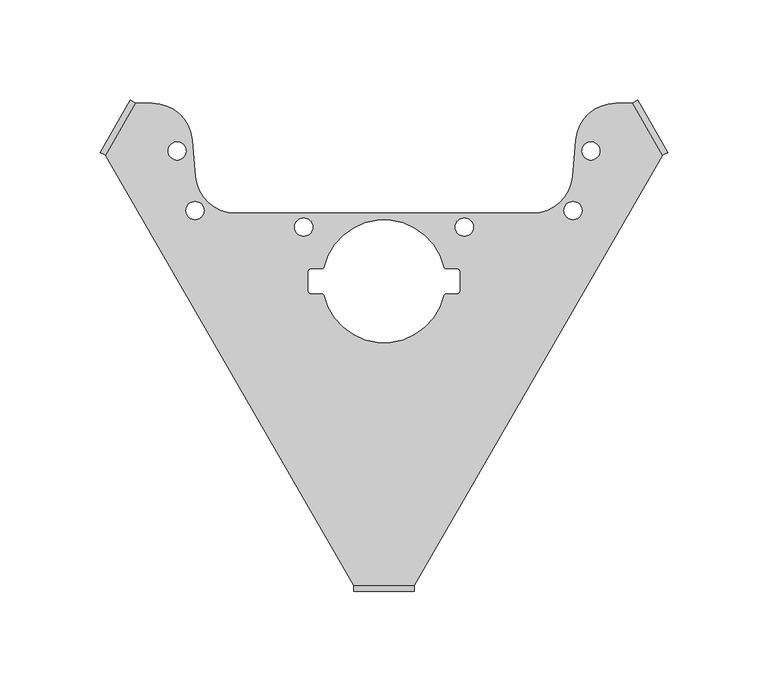
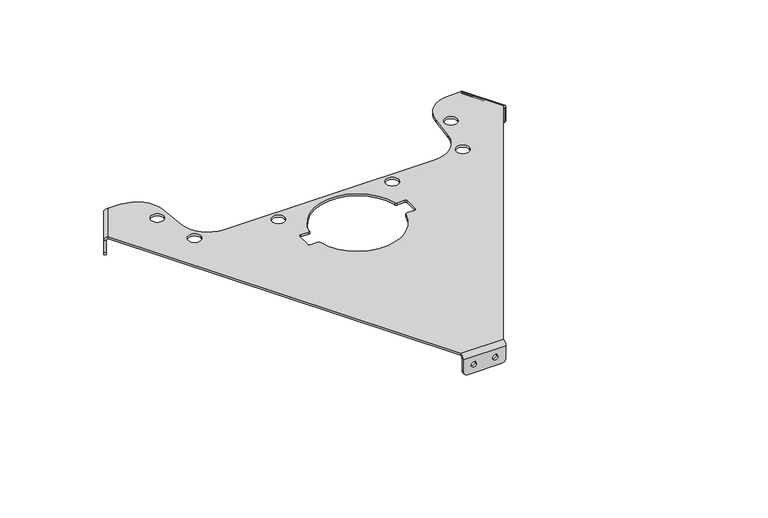
"""IFC4 building model written with IfcOpenShell, lengths in millimetres: proxy geometry."""

from ifc_helpers import new_model, si_unit, frame, origin, place, context, project, spatial, polyline, circle_curve, source, transform, mapped, element, save
from ifc_brep_helpers import plane_surface, cylinder_surface, revolved_surface, advanced_brep


def generic_models_a95698b2(model_context):
    return source(origin(), model_context, "Body", "AdvancedBrep", [
        advanced_brep(
        [(-5.7, -153.0, -7.5), (-5.7, -154.5, -7.5), (-9.3, -154.5, -7.5), (-9.3, -153.0, -7.5), (9.3, -153.0, -7.5), (9.3, -154.5, -7.5), (5.7, -154.5, -7.5), (5.7, -153.0, -7.5), (135.3518868, 71.5636552, -7.5), (136.6509249, 72.3136552, -7.5), (138.4509249, 69.1959637, -7.5), (137.1518868, 68.4459637, -7.5), (127.8518868, 84.5540363, -7.5), (129.1509249, 85.3040363, -7.5), (130.9509249, 82.1863448, -7.5), (129.6518868, 81.4363448, -7.5), (-129.6518868, 81.4363448, -7.5), (-130.9509249, 82.1863448, -7.5), (-129.1509249, 85.3040363, -7.5), (-127.8518868, 84.5540363, -7.5), (-137.1518868, 68.4459637, -7.5), (-138.4509249, 69.1959637, -7.5), (-136.6509249, 72.3136552, -7.5), (-135.3518868, 71.5636552, -7.5), (-98.6705, 35.271, 1.5), (-98.6705, 35.271, 0.0), (-89.6705, 35.271, 0.0), (-89.6705, 35.271, 1.5), (-107.587, 65.0, 1.5), (-107.587, 65.0, 0.0), (-98.587, 65.0, 0.0), (-98.587, 65.0, 1.5), (35.5, 27.0, 1.5), (35.5, 27.0, 0.0), (44.5, 27.0, 0.0), (44.5, 27.0, 1.5), (98.587, 65.0, 1.5), (98.587, 65.0, 0.0), (107.587, 65.0, 0.0), (107.587, 65.0, 1.5), (-44.5, 27.0, 1.5), (-44.5, 27.0, 0.0), (-35.5, 27.0, 0.0), (-35.5, 27.0, 1.5), (89.6705, 35.271, 1.5), (89.6705, 35.271, 0.0), (98.6705, 35.271, 0.0), (98.6705, 35.271, 1.5), (-95.5185158, 70.4834959, 0.0), (-115.4424097, 88.7403811, 0.0), (-115.4424097, 88.7403811, 1.5), (-95.5185158, 70.4834959, 1.5), (-123.7028487, 88.7403811, 0.0), (-123.7028487, 88.7403811, 1.5), (-93.923894, 52.2568851, 0.0), (-74.0, 34.0, 0.0), (74.0, 34.0, 0.0), (93.923894, 52.2568851, 0.0), (95.5185158, 70.4834959, 0.0), (115.4424097, 88.7403811, 0.0), (123.7028487, 88.7403811, 0.0), (138.7028487, 62.7596189, 0.0), (15.0, -151.5, 0.0), (-15.0, -151.5, 0.0), (-138.7028487, 62.7596189, 0.0), (-29.865372, 6.7786561, 0.0), (-30.8405678, 6.0, 0.0), (-36.625, 6.0, 0.0), (-37.625, 5.0, 0.0), (-37.625, -5.0, 0.0), (-36.625, -6.0, 0.0), (-30.8405678, -6.0, 0.0), (-29.865372, -6.7786561, 0.0), (29.865372, -6.7786561, 0.0), (30.8405678, -6.0, 0.0), (36.625, -6.0, 0.0), (37.625, -5.0, 0.0), (37.625, 5.0, 0.0), (36.625, 6.0, 0.0), (30.8405678, 6.0, 0.0), (29.865372, 6.7786561, 0.0), (95.5185158, 70.4834959, 1.5), (115.4424097, 88.7403811, 1.5), (123.7028487, 88.7403811, 1.5), (-93.923894, 52.2568851, 1.5), (-74.0, 34.0, 1.5), (74.0, 34.0, 1.5), (93.923894, 52.2568851, 1.5), (-138.7028487, 62.7596189, 1.5), (-15.0, -151.5, 1.5), (15.0, -151.5, 1.5), (138.7028487, 62.7596189, 1.5), (-30.8405678, 6.0, 1.5), (-29.865372, 6.7786561, 1.5), (29.865372, 6.7786561, 1.5), (30.8405678, 6.0, 1.5), (36.625, 6.0, 1.5), (37.625, 5.0, 1.5), (37.625, -5.0, 1.5), (36.625, -6.0, 1.5), (30.8405678, -6.0, 1.5), (29.865372, -6.7786561, 1.5), (-29.865372, -6.7786561, 1.5), (-30.8405678, -6.0, 1.5), (-36.625, -6.0, 1.5), (-37.625, -5.0, 1.5), (-37.625, 5.0, 1.5), (-36.625, 6.0, 1.5), (-141.3009249, 64.2596189, -10.5), (-139.8009249, 66.8576952, -13.5), (-138.5018868, 66.1076952, -13.5), (-140.0018868, 63.5096189, -10.5), (-140.0018868, 63.5096189, -1.5), (-141.3009249, 64.2596189, -1.5), (-126.5018868, 86.8923048, -13.5), (-125.0018868, 89.4903811, -10.5), (-125.0018868, 89.4903811, -1.5), (-127.8009249, 87.6423048, -13.5), (-126.3009249, 90.2403811, -10.5), (-126.3009249, 90.2403811, -1.5), (126.3009249, 90.2403811, -10.5), (127.8009249, 87.6423048, -13.5), (126.5018868, 86.8923048, -13.5), (125.0018868, 89.4903811, -10.5), (125.0018868, 89.4903811, -1.5), (126.3009249, 90.2403811, -1.5), (138.5018868, 66.1076952, -13.5), (140.0018868, 63.5096189, -10.5), (140.0018868, 63.5096189, -1.5), (139.8009249, 66.8576952, -13.5), (141.3009249, 64.2596189, -10.5), (141.3009249, 64.2596189, -1.5), (15.0, -154.5, -10.5), (12.0, -154.5, -13.5), (12.0, -153.0, -13.5), (15.0, -153.0, -10.5), (15.0, -153.0, -1.5), (15.0, -154.5, -1.5), (-12.0, -153.0, -13.5), (-15.0, -153.0, -10.5), (-15.0, -153.0, -1.5), (-12.0, -154.5, -13.5), (-15.0, -154.5, -10.5), (-15.0, -154.5, -1.5)],
        [
            (0, 1),
            (1, 2, circle_curve(frame((-7.5, -154.5, -7.5), z_axis=(0.0, -1.0, 0.0), x_axis=(1.0, 0.0, 0.0)), 1.8)),
            (2, 3),
            (3, 0, circle_curve(frame((-7.5, -153.0, -7.5), z_axis=(0.0, 1.0, 0.0), x_axis=(1.0, 0.0, 0.0)), 1.8)),
            (4, 5),
            (5, 6, circle_curve(frame((7.5, -154.5, -7.5), z_axis=(0.0, -1.0, 0.0), x_axis=(1.0, 0.0, 0.0)), 1.8)),
            (6, 7),
            (7, 4, circle_curve(frame((7.5, -153.0, -7.5), z_axis=(0.0, 1.0, 0.0), x_axis=(1.0, 0.0, 0.0)), 1.8)),
            (8, 9),
            (9, 10, circle_curve(frame((137.5509249, 70.7548095, -7.5), z_axis=(0.8660254037844388, 0.4999999999999998, 0.0), x_axis=(-0.4999999999999998, 0.8660254037844388, 0.0)), 1.8)),
            (10, 11),
            (11, 8, circle_curve(frame((136.2518868, 70.0048095, -7.5), z_axis=(-0.8660254037844388, -0.4999999999999998, 0.0), x_axis=(-0.4999999999999998, 0.8660254037844388, 0.0)), 1.8)),
            (12, 13),
            (13, 14, circle_curve(frame((130.0509249, 83.7451905, -7.5), z_axis=(0.8660254037844388, 0.4999999999999998, 0.0), x_axis=(-0.4999999999999998, 0.8660254037844388, 0.0)), 1.8)),
            (14, 15),
            (15, 12, circle_curve(frame((128.7518868, 82.9951905, -7.5), z_axis=(-0.8660254037844388, -0.4999999999999998, 0.0), x_axis=(-0.4999999999999998, 0.8660254037844388, 0.0)), 1.8)),
            (16, 17),
            (17, 18, circle_curve(frame((-130.0509249, 83.7451905, -7.5), z_axis=(-0.8660254037844386, 0.5000000000000003, 0.0), x_axis=(-0.5000000000000003, -0.8660254037844386, 0.0)), 1.8)),
            (18, 19),
            (19, 16, circle_curve(frame((-128.7518868, 82.9951905, -7.5), z_axis=(0.8660254037844386, -0.5000000000000003, 0.0), x_axis=(-0.5000000000000003, -0.8660254037844386, 0.0)), 1.8)),
            (20, 21),
            (21, 22, circle_curve(frame((-137.5509249, 70.7548095, -7.5), z_axis=(-0.8660254037844386, 0.5000000000000003, 0.0), x_axis=(-0.5000000000000003, -0.8660254037844386, 0.0)), 1.8)),
            (22, 23),
            (23, 20, circle_curve(frame((-136.2518868, 70.0048095, -7.5), z_axis=(0.8660254037844386, -0.5000000000000003, 0.0), x_axis=(-0.5000000000000003, -0.8660254037844386, 0.0)), 1.8)),
            (24, 25),
            (25, 26, circle_curve(frame((-94.1705, 35.271, 0.0), z_axis=(0.0, 0.0, -1.0), x_axis=(-1.0, 0.0, 0.0)), 4.5)),
            (26, 27),
            (27, 24, circle_curve(frame((-94.1705, 35.271, 1.5), z_axis=(0.0, 0.0, 1.0), x_axis=(-1.0, 0.0, 0.0)), 4.5)),
            (28, 29),
            (29, 30, circle_curve(frame((-103.087, 65.0, 0.0), z_axis=(0.0, 0.0, -1.0), x_axis=(-1.0, 0.0, 0.0)), 4.5)),
            (30, 31),
            (31, 28, circle_curve(frame((-103.087, 65.0, 1.5), z_axis=(0.0, 0.0, 1.0), x_axis=(-1.0, 0.0, 0.0)), 4.5)),
            (32, 33),
            (33, 34, circle_curve(frame((40.0, 27.0, 0.0), z_axis=(0.0, 0.0, -1.0), x_axis=(-1.0, 0.0, 0.0)), 4.5)),
            (34, 35),
            (35, 32, circle_curve(frame((40.0, 27.0, 1.5), z_axis=(0.0, 0.0, 1.0), x_axis=(-1.0, 0.0, 0.0)), 4.5)),
            (36, 37),
            (37, 38, circle_curve(frame((103.087, 65.0, 0.0), z_axis=(0.0, 0.0, -1.0), x_axis=(-1.0, 0.0, 0.0)), 4.5)),
            (38, 39),
            (39, 36, circle_curve(frame((103.087, 65.0, 1.5), z_axis=(0.0, 0.0, 1.0), x_axis=(-1.0, 0.0, 0.0)), 4.5)),
            (40, 41),
            (41, 42, circle_curve(frame((-40.0, 27.0, 0.0), z_axis=(0.0, 0.0, -1.0), x_axis=(-1.0, 0.0, 0.0)), 4.5)),
            (42, 43),
            (43, 40, circle_curve(frame((-40.0, 27.0, 1.5), z_axis=(0.0, 0.0, 1.0), x_axis=(-1.0, 0.0, 0.0)), 4.5)),
            (44, 45),
            (45, 46, circle_curve(frame((94.1705, 35.271, 0.0), z_axis=(0.0, 0.0, -1.0), x_axis=(-1.0, 0.0, 0.0)), 4.5)),
            (46, 47),
            (47, 44, circle_curve(frame((94.1705, 35.271, 1.5), z_axis=(0.0, 0.0, 1.0), x_axis=(-1.0, 0.0, 0.0)), 4.5)),
            (44, 47, circle_curve(frame((94.1705, 35.271, 1.5), z_axis=(0.0, 0.0, 1.0), x_axis=(-1.0, 0.0, 0.0)), 4.5)),
            (46, 45, circle_curve(frame((94.1705, 35.271, 0.0), z_axis=(0.0, 0.0, -1.0), x_axis=(-1.0, 0.0, 0.0)), 4.5)),
            (40, 43, circle_curve(frame((-40.0, 27.0, 1.5), z_axis=(0.0, 0.0, 1.0), x_axis=(-1.0, 0.0, 0.0)), 4.5)),
            (42, 41, circle_curve(frame((-40.0, 27.0, 0.0), z_axis=(0.0, 0.0, -1.0), x_axis=(-1.0, 0.0, 0.0)), 4.5)),
            (36, 39, circle_curve(frame((103.087, 65.0, 1.5), z_axis=(0.0, 0.0, 1.0), x_axis=(-1.0, 0.0, 0.0)), 4.5)),
            (38, 37, circle_curve(frame((103.087, 65.0, 0.0), z_axis=(0.0, 0.0, -1.0), x_axis=(-1.0, 0.0, 0.0)), 4.5)),
            (32, 35, circle_curve(frame((40.0, 27.0, 1.5), z_axis=(0.0, 0.0, 1.0), x_axis=(-1.0, 0.0, 0.0)), 4.5)),
            (34, 33, circle_curve(frame((40.0, 27.0, 0.0), z_axis=(0.0, 0.0, -1.0), x_axis=(-1.0, 0.0, 0.0)), 4.5)),
            (28, 31, circle_curve(frame((-103.087, 65.0, 1.5), z_axis=(0.0, 0.0, 1.0), x_axis=(-1.0, 0.0, 0.0)), 4.5)),
            (30, 29, circle_curve(frame((-103.087, 65.0, 0.0), z_axis=(0.0, 0.0, -1.0), x_axis=(-1.0, 0.0, 0.0)), 4.5)),
            (24, 27, circle_curve(frame((-94.1705, 35.271, 1.5), z_axis=(0.0, 0.0, 1.0), x_axis=(-1.0, 0.0, 0.0)), 4.5)),
            (26, 25, circle_curve(frame((-94.1705, 35.271, 0.0), z_axis=(0.0, 0.0, -1.0), x_axis=(-1.0, 0.0, 0.0)), 4.5)),
            (48, 49, circle_curve(frame((-115.4424097, 68.7403811, 0.0), z_axis=(0.0, 0.0, 1.0), x_axis=(0.6755902076156596, 0.7372773368101246, 0.0)), 20.0)),
            (49, 50),
            (50, 51, circle_curve(frame((-115.4424097, 68.7403811, 1.5), z_axis=(0.0, 0.0, -1.0), x_axis=(0.6755902076156596, 0.7372773368101246, 0.0)), 20.0)),
            (51, 48),
            (49, 52),
            (52, 53),
            (53, 50),
            (48, 54),
            (54, 55, circle_curve(frame((-74.0, 54.0, 0.0), z_axis=(0.0, 0.0, 1.0), x_axis=(-0.9961946980917457, -0.08715574274765665, 0.0)), 20.0)),
            (55, 56),
            (56, 57, circle_curve(frame((74.0, 54.0, 0.0), z_axis=(0.0, 0.0, 1.0), x_axis=(0.0, -1.0, 0.0)), 20.0)),
            (57, 58),
            (58, 59, circle_curve(frame((115.4424097, 68.7403811, 0.0), z_axis=(0.0, 0.0, -1.0), x_axis=(-0.6755902076156611, 0.7372773368101233, 0.0)), 20.0)),
            (59, 60),
            (60, 61),
            (61, 62),
            (62, 63),
            (63, 64),
            (64, 52),
            (65, 66, circle_curve(frame((-30.8405678, 7.0, 0.0), z_axis=(0.0, 0.0, -1.0), x_axis=(0.6239615879532211, -0.7814550126263793, 0.0)), 1.0)),
            (66, 67),
            (67, 68, circle_curve(frame((-36.625, 5.0, 0.0), z_axis=(0.0, 0.0, 1.0), x_axis=(0.0, 1.0, 0.0)), 1.0)),
            (68, 69),
            (69, 70, circle_curve(frame((-36.625, -5.0, 0.0), z_axis=(0.0, 0.0, 1.0), x_axis=(-1.0, 0.0, 0.0)), 1.0)),
            (70, 71),
            (71, 72, circle_curve(frame((-30.8405678, -7.0, 0.0), z_axis=(0.0, 0.0, -1.0), x_axis=(0.6239615879532177, 0.7814550126263821, 0.0)), 1.0)),
            (72, 73, circle_curve(frame((0.0, 0.0, 0.0), z_axis=(0.0, 0.0, 1.0), x_axis=(-1.0, 0.0, 0.0)), 30.625)),
            (73, 74, circle_curve(frame((30.8405678, -7.0, 0.0), z_axis=(0.0, 0.0, -1.0), x_axis=(-0.6239615879532198, 0.7814550126263805, 0.0)), 1.0)),
            (74, 75),
            (75, 76, circle_curve(frame((36.625, -5.0, 0.0), z_axis=(0.0, 0.0, 1.0), x_axis=(0.0, -1.0, 0.0)), 1.0)),
            (76, 77),
            (77, 78, circle_curve(frame((36.625, 5.0, 0.0), z_axis=(0.0, 0.0, 1.0), x_axis=(1.0, 0.0, 0.0)), 1.0)),
            (78, 79),
            (79, 80, circle_curve(frame((30.8405678, 7.0, 0.0), z_axis=(0.0, 0.0, -1.0), x_axis=(-0.6239615879532198, -0.7814550126263805, 0.0)), 1.0)),
            (80, 65, circle_curve(frame((0.0, 0.0, 0.0), z_axis=(0.0, 0.0, 1.0), x_axis=(-1.0, 0.0, 0.0)), 30.625)),
            (81, 82, circle_curve(frame((115.4424097, 68.7403811, 1.5), z_axis=(0.0, 0.0, -1.0), x_axis=(-0.6755902076156611, 0.7372773368101233, 0.0)), 20.0)),
            (82, 59),
            (58, 81),
            (82, 83),
            (83, 60),
            (84, 85, circle_curve(frame((-74.0, 54.0, 1.5), z_axis=(0.0, 0.0, 1.0), x_axis=(-0.9961946980917457, -0.08715574274765665, 0.0)), 20.0)),
            (85, 55),
            (54, 84),
            (85, 86),
            (86, 56),
            (86, 87, circle_curve(frame((74.0, 54.0, 1.5), z_axis=(0.0, 0.0, 1.0), x_axis=(0.0, -1.0, 0.0)), 20.0)),
            (87, 57),
            (87, 81),
            (51, 84),
            (53, 88),
            (88, 89),
            (89, 90),
            (90, 91),
            (91, 83),
            (92, 93, circle_curve(frame((-30.8405678, 7.0, 1.5), z_axis=(0.0, 0.0, 1.0), x_axis=(0.6239615879532211, -0.7814550126263793, 0.0)), 1.0)),
            (93, 94, circle_curve(frame((0.0, 0.0, 1.5), z_axis=(0.0, 0.0, -1.0), x_axis=(-1.0, 0.0, 0.0)), 30.625)),
            (94, 95, circle_curve(frame((30.8405678, 7.0, 1.5), z_axis=(0.0, 0.0, 1.0), x_axis=(-0.6239615879532198, -0.7814550126263805, 0.0)), 1.0)),
            (95, 96),
            (96, 97, circle_curve(frame((36.625, 5.0, 1.5), z_axis=(0.0, 0.0, -1.0), x_axis=(1.0, 0.0, 0.0)), 1.0)),
            (97, 98),
            (98, 99, circle_curve(frame((36.625, -5.0, 1.5), z_axis=(0.0, 0.0, -1.0), x_axis=(0.0, -1.0, 0.0)), 1.0)),
            (99, 100),
            (100, 101, circle_curve(frame((30.8405678, -7.0, 1.5), z_axis=(0.0, 0.0, 1.0), x_axis=(-0.6239615879532198, 0.7814550126263805, 0.0)), 1.0)),
            (101, 102, circle_curve(frame((0.0, 0.0, 1.5), z_axis=(0.0, 0.0, -1.0), x_axis=(-1.0, 0.0, 0.0)), 30.625)),
            (102, 103, circle_curve(frame((-30.8405678, -7.0, 1.5), z_axis=(0.0, 0.0, 1.0), x_axis=(0.6239615879532177, 0.7814550126263821, 0.0)), 1.0)),
            (103, 104),
            (104, 105, circle_curve(frame((-36.625, -5.0, 1.5), z_axis=(0.0, 0.0, -1.0), x_axis=(-1.0, 0.0, 0.0)), 1.0)),
            (105, 106),
            (106, 107, circle_curve(frame((-36.625, 5.0, 1.5), z_axis=(0.0, 0.0, -1.0), x_axis=(0.0, 1.0, 0.0)), 1.0)),
            (107, 92),
            (65, 93),
            (92, 66),
            (80, 94),
            (102, 72),
            (71, 103),
            (70, 104),
            (79, 95),
            (78, 96),
            (73, 101),
            (100, 74),
            (106, 68),
            (67, 107),
            (105, 69),
            (98, 76),
            (75, 99),
            (97, 77),
            (61, 91),
            (90, 62),
            (63, 89),
            (88, 64),
            (20, 23, circle_curve(frame((-136.2518868, 70.0048095, -7.5), z_axis=(0.8660254037844386, -0.5000000000000003, 0.0), x_axis=(-0.5000000000000003, -0.8660254037844386, 0.0)), 1.8)),
            (22, 21, circle_curve(frame((-137.5509249, 70.7548095, -7.5), z_axis=(-0.8660254037844386, 0.5000000000000003, 0.0), x_axis=(-0.5000000000000003, -0.8660254037844386, 0.0)), 1.8)),
            (16, 19, circle_curve(frame((-128.7518868, 82.9951905, -7.5), z_axis=(0.8660254037844386, -0.5000000000000003, 0.0), x_axis=(-0.5000000000000003, -0.8660254037844386, 0.0)), 1.8)),
            (18, 17, circle_curve(frame((-130.0509249, 83.7451905, -7.5), z_axis=(-0.8660254037844386, 0.5000000000000003, 0.0), x_axis=(-0.5000000000000003, -0.8660254037844386, 0.0)), 1.8)),
            (12, 15, circle_curve(frame((128.7518868, 82.9951905, -7.5), z_axis=(-0.8660254037844388, -0.4999999999999998, 0.0), x_axis=(-0.4999999999999998, 0.8660254037844388, 0.0)), 1.8)),
            (14, 13, circle_curve(frame((130.0509249, 83.7451905, -7.5), z_axis=(0.8660254037844388, 0.4999999999999998, 0.0), x_axis=(-0.4999999999999998, 0.8660254037844388, 0.0)), 1.8)),
            (8, 11, circle_curve(frame((136.2518868, 70.0048095, -7.5), z_axis=(-0.8660254037844388, -0.4999999999999998, 0.0), x_axis=(-0.4999999999999998, 0.8660254037844388, 0.0)), 1.8)),
            (10, 9, circle_curve(frame((137.5509249, 70.7548095, -7.5), z_axis=(0.8660254037844388, 0.4999999999999998, 0.0), x_axis=(-0.4999999999999998, 0.8660254037844388, 0.0)), 1.8)),
            (108, 109, circle_curve(frame((-139.8009249, 66.8576952, -10.5), z_axis=(0.8660254037844378, -0.5000000000000016, 0.0), x_axis=(-0.35355339059327867, -0.612372435695791, -0.707106781186548)), 3.0)),
            (109, 110),
            (110, 111, circle_curve(frame((-138.5018868, 66.1076952, -10.5), z_axis=(-0.8660254037844378, 0.5000000000000016, 0.0), x_axis=(-0.35355339059327867, -0.612372435695791, -0.707106781186548)), 3.0)),
            (111, 108),
            (111, 112),
            (112, 113),
            (113, 108),
            (110, 114),
            (114, 115, circle_curve(frame((-126.5018868, 86.8923048, -10.5), z_axis=(0.8660254037844377, -0.5000000000000018, 0.0), x_axis=(0.3535533905932714, 0.6123724356957928, -0.7071067811865501)), 3.0)),
            (115, 116),
            (116, 112),
            (117, 118, circle_curve(frame((-127.8009249, 87.6423048, -10.5), z_axis=(0.8660254037844377, -0.5000000000000018, 0.0), x_axis=(0.3535533905932714, 0.6123724356957928, -0.7071067811865501)), 3.0)),
            (118, 115),
            (114, 117),
            (118, 119),
            (119, 116),
            (120, 121, circle_curve(frame((127.8009249, 87.6423048, -10.5), z_axis=(-0.8660254037844378, -0.5000000000000014, 0.0), x_axis=(-0.3535533905932714, 0.6123724356957928, -0.7071067811865501)), 3.0)),
            (121, 122),
            (122, 123, circle_curve(frame((126.5018868, 86.8923048, -10.5), z_axis=(0.8660254037844378, 0.5000000000000014, 0.0), x_axis=(-0.3535533905932714, 0.6123724356957928, -0.7071067811865501)), 3.0)),
            (123, 120),
            (123, 124),
            (124, 125),
            (125, 120),
            (122, 126),
            (126, 127, circle_curve(frame((138.5018868, 66.1076952, -10.5), z_axis=(-0.866025403784438, -0.5000000000000013, 0.0), x_axis=(0.35355339059327867, -0.612372435695791, -0.707106781186548)), 3.0)),
            (127, 128),
            (128, 124),
            (129, 130, circle_curve(frame((139.8009249, 66.8576952, -10.5), z_axis=(-0.866025403784438, -0.5000000000000013, 0.0), x_axis=(0.35355339059327867, -0.612372435695791, -0.707106781186548)), 3.0)),
            (130, 127),
            (126, 129),
            (130, 131),
            (131, 128),
            (131, 125),
            (125, 83, circle_curve(frame((123.7028487, 88.7403811, -1.5), z_axis=(0.49999999999999983, -0.8660254037844388, 0.0), x_axis=(0.8660254037844388, 0.49999999999999983, 0.0)), 3.0)),
            (91, 131, circle_curve(frame((138.7028487, 62.7596189, -1.5), z_axis=(-0.49999999999999983, 0.8660254037844388, 0.0), x_axis=(0.8660254037844388, 0.49999999999999983, 0.0)), 3.0)),
            (124, 60, circle_curve(frame((123.7028487, 88.7403811, -1.5), z_axis=(0.49999999999999983, -0.8660254037844388, 0.0), x_axis=(0.8660254037844388, 0.49999999999999983, 0.0)), 1.5)),
            (61, 128, circle_curve(frame((138.7028487, 62.7596189, -1.5), z_axis=(-0.49999999999999983, 0.8660254037844388, 0.0), x_axis=(0.8660254037844388, 0.49999999999999983, 0.0)), 1.5)),
            (121, 129),
            (119, 113),
            (113, 88, circle_curve(frame((-138.7028487, 62.7596189, -1.5), z_axis=(0.5000000000000003, 0.8660254037844385, 0.0), x_axis=(-0.8660254037844385, 0.5000000000000003, 0.0)), 3.0)),
            (53, 119, circle_curve(frame((-123.7028487, 88.7403811, -1.5), z_axis=(-0.5000000000000003, -0.8660254037844385, 0.0), x_axis=(-0.8660254037844385, 0.5000000000000003, 0.0)), 3.0)),
            (112, 64, circle_curve(frame((-138.7028487, 62.7596189, -1.5), z_axis=(0.5000000000000003, 0.8660254037844385, 0.0), x_axis=(-0.8660254037844385, 0.5000000000000003, 0.0)), 1.5)),
            (52, 116, circle_curve(frame((-123.7028487, 88.7403811, -1.5), z_axis=(-0.5000000000000003, -0.8660254037844385, 0.0), x_axis=(-0.8660254037844385, 0.5000000000000003, 0.0)), 1.5)),
            (109, 117),
            (4, 7, circle_curve(frame((7.5, -153.0, -7.5), z_axis=(0.0, 1.0, 0.0), x_axis=(1.0, 0.0, 0.0)), 1.8)),
            (6, 5, circle_curve(frame((7.5, -154.5, -7.5), z_axis=(0.0, -1.0, 0.0), x_axis=(1.0, 0.0, 0.0)), 1.8)),
            (0, 3, circle_curve(frame((-7.5, -153.0, -7.5), z_axis=(0.0, 1.0, 0.0), x_axis=(1.0, 0.0, 0.0)), 1.8)),
            (2, 1, circle_curve(frame((-7.5, -154.5, -7.5), z_axis=(0.0, -1.0, 0.0), x_axis=(1.0, 0.0, 0.0)), 1.8)),
            (132, 133, circle_curve(frame((12.0, -154.5, -10.5), z_axis=(0.0, 1.0, 0.0), x_axis=(0.7071067811865475, 0.0, -0.7071067811865475)), 3.0)),
            (133, 134),
            (134, 135, circle_curve(frame((12.0, -153.0, -10.5), z_axis=(0.0, -1.0, 0.0), x_axis=(0.7071067811865475, 0.0, -0.7071067811865475)), 3.0)),
            (135, 132),
            (135, 136),
            (136, 137),
            (137, 132),
            (134, 138),
            (138, 139, circle_curve(frame((-12.0, -153.0, -10.5), z_axis=(0.0, 1.0, 0.0), x_axis=(-0.707106781186547, 0.0, -0.707106781186548)), 3.0)),
            (139, 140),
            (140, 136),
            (141, 142, circle_curve(frame((-12.0, -154.5, -10.5), z_axis=(0.0, 1.0, 0.0), x_axis=(-0.707106781186547, 0.0, -0.707106781186548)), 3.0)),
            (142, 139),
            (138, 141),
            (142, 143),
            (143, 140),
            (143, 137),
            (137, 90, circle_curve(frame((15.0, -151.5, -1.5), z_axis=(-1.0, 0.0, 0.0), x_axis=(0.0, -1.0, 0.0)), 3.0)),
            (89, 143, circle_curve(frame((-15.0, -151.5, -1.5), z_axis=(1.0, 0.0, 0.0), x_axis=(0.0, -1.0, 0.0)), 3.0)),
            (136, 62, circle_curve(frame((15.0, -151.5, -1.5), z_axis=(-1.0, 0.0, 0.0), x_axis=(0.0, -1.0, 0.0)), 1.5)),
            (63, 140, circle_curve(frame((-15.0, -151.5, -1.5), z_axis=(1.0, 0.0, 0.0), x_axis=(0.0, -1.0, 0.0)), 1.5)),
            (133, 141),
        ],
        [
            revolved_surface(polyline([(-5.7, -154.5, -7.5), (-5.7, -153.0, -7.5)]), (-7.5, -153.75, -7.5), (0.0, -1.0, 0.0)),
            revolved_surface(polyline([(9.3, -154.5, -7.5), (9.3, -153.0, -7.5)]), (7.5, -153.75, -7.5), (0.0, -1.0, 0.0)),
            revolved_surface(polyline([(136.65092488820957, 72.3136552472336, -7.5), (135.35188675509906, 71.56365523139466, -7.5)]), (136.9014058, 70.3798095, -7.5), (0.8660254037844388, 0.4999999999999998, 0.0)),
            revolved_surface(polyline([(129.15092491990092, 85.30403626553061, -7.5), (127.8518867867904, 84.55403624969168, -7.5)]), (129.4014058, 83.3701905, -7.5), (0.8660254037844388, 0.4999999999999998, 0.0)),
            revolved_surface(polyline([(-130.95092491990093, 82.18634481190662, -7.5), (-129.6518867867904, 81.43634479606769, -7.5)]), (-129.4014058, 83.3701905, -7.5), (-0.8660254037844386, 0.5000000000000003, 0.0)),
            revolved_surface(polyline([(-138.45092488820958, 69.19596379360961, -7.5), (-137.15188675509907, 68.44596377777067, -7.5)]), (-136.9014058, 70.3798095, -7.5), (-0.8660254037844386, 0.5000000000000003, 0.0)),
            revolved_surface(polyline([(-98.6705, 35.271, 0.0), (-98.6705, 35.271, 1.5)]), (-94.1705, 35.271, 0.75), (0.0, 0.0, -1.0)),
            revolved_surface(polyline([(-107.587, 65.0, 0.0), (-107.587, 65.0, 1.5)]), (-103.087, 65.0, 0.75), (0.0, 0.0, -1.0)),
            revolved_surface(polyline([(35.5, 27.0, 0.0), (35.5, 27.0, 1.5)]), (40.0, 27.0, 0.75), (0.0, 0.0, -1.0)),
            revolved_surface(polyline([(98.587, 65.0, 0.0), (98.587, 65.0, 1.5)]), (103.087, 65.0, 0.75), (0.0, 0.0, -1.0)),
            revolved_surface(polyline([(-44.5, 27.0, 0.0), (-44.5, 27.0, 1.5)]), (-40.0, 27.0, 0.75), (0.0, 0.0, -1.0)),
            revolved_surface(polyline([(89.6705, 35.271, 0.0), (89.6705, 35.271, 1.5)]), (94.1705, 35.271, 0.75), (0.0, 0.0, -1.0)),
            cylinder_surface(frame((-115.4424097, 68.7403811, 1.5), z_axis=(0.0, 0.0, -1.0), x_axis=(0.6755902076156596, 0.7372773368101246, 0.0)), 20.0),
            plane_surface(frame((-123.7028487, 88.7403811, 1.5), z_axis=(0.0, 1.0, 0.0), x_axis=(0.0, 0.0, -1.0))),
            plane_surface(frame((0.0, 0.0, 0.0), z_axis=(0.0, 0.0, -1.0), x_axis=(-1.0, 0.0, 0.0))),
            cylinder_surface(frame((115.4424097, 68.7403811, 1.5), z_axis=(0.0, 0.0, 1.0), x_axis=(-0.6755902076156611, 0.7372773368101233, 0.0)), 20.0),
            revolved_surface(polyline([(-93.92389396183492, 52.256885145046866, 0.0), (-93.92389396183492, 52.256885145046866, 1.5)]), (-74.0, 54.0, 1.5), (0.0, 0.0, -1.0)),
            plane_surface(frame((74.0, 34.0, 1.5), z_axis=(0.0, 1.0, 0.0), x_axis=(-1.0, 0.0, 0.0))),
            revolved_surface(polyline([(74.0, 34.0, 0.0), (74.0, 34.0, 1.5)]), (74.0, 54.0, 1.5), (0.0, 0.0, -1.0)),
            plane_surface(frame((97.1157863, 88.7403811, 1.5), z_axis=(-0.9961946980917458, 0.08715574274765618, 0.0), x_axis=(-0.08715574274765618, -0.9961946980917458, 0.0))),
            plane_surface(frame((-93.923894, 52.2568851, 1.5), z_axis=(0.9961946980917454, 0.0871557427476602, 0.0), x_axis=(-0.0871557427476602, 0.9961946980917454, 0.0))),
            plane_surface(frame((0.0, 0.0, 1.5), z_axis=(0.0, 0.0, 1.0), x_axis=(-1.0, 0.0, 0.0))),
            cylinder_surface(frame((-30.8405678, 7.0, 0.0), z_axis=(0.0, 0.0, -0.9999999999999999), x_axis=(0.6239615879532211, -0.7814550126263793, 0.0)), 1.0),
            revolved_surface(polyline([(-30.625, 0.0, 1.5), (-30.625, 0.0, 0.0)]), (0.0, 0.0, 0.0), (0.0, 0.0, 1.0)),
            cylinder_surface(frame((-30.8405678, -7.0, 0.0), z_axis=(0.0, 0.0, 1.0), x_axis=(0.6239615879532177, 0.7814550126263821, 0.0)), 1.0),
            plane_surface(frame((-30.0314939, -6.0, 1.5), z_axis=(0.0, 1.0, 0.0), x_axis=(-1.0, 0.0, 0.0))),
            cylinder_surface(frame((30.8405678, 7.0, 0.0), z_axis=(0.0, 0.0, 1.0), x_axis=(-0.6239615879532198, -0.7814550126263805, 0.0)), 1.0),
            plane_surface(frame((30.0314939, 6.0, 1.5), z_axis=(0.0, -1.0, 0.0), x_axis=(1.0, 0.0, 0.0))),
            cylinder_surface(frame((30.8405678, -7.0, 0.0), z_axis=(0.0, 0.0, -1.0), x_axis=(-0.6239615879532198, 0.7814550126263805, 0.0)), 1.0),
            revolved_surface(polyline([(-36.625, 6.0, 0.0), (-36.625, 6.0, 1.5)]), (-36.625, 5.0, 1.5), (0.0, 0.0, -1.0)),
            plane_surface(frame((-37.625, -5.0, 1.5), z_axis=(1.0, 0.0, 0.0), x_axis=(0.0, 1.0, 0.0))),
            revolved_surface(polyline([(-37.625, -5.0, 0.0), (-37.625, -5.0, 1.5)]), (-36.625, -5.0, 1.5), (0.0, 0.0, -1.0)),
            plane_surface(frame((-36.625, 6.0, 1.5), z_axis=(0.0, -1.0, 0.0), x_axis=(1.0, 0.0, 0.0))),
            revolved_surface(polyline([(36.625, -6.0, 0.0), (36.625, -6.0, 1.5)]), (36.625, -5.0, 1.5), (0.0, 0.0, -1.0)),
            plane_surface(frame((37.625, 5.0, 1.5), z_axis=(-1.0, 0.0, 0.0), x_axis=(0.0, -1.0, 0.0))),
            revolved_surface(polyline([(37.625, 5.0, 0.0), (37.625, 5.0, 1.5)]), (36.625, 5.0, 1.5), (0.0, 0.0, -1.0)),
            plane_surface(frame((36.625, -6.0, 1.5), z_axis=(0.0, 1.0, 0.0), x_axis=(-1.0, 0.0, 0.0))),
            plane_surface(frame((138.7028487, 62.7596189, 1.5), z_axis=(0.8660254037844384, -0.5000000000000004, 0.0), x_axis=(0.0, 0.0, -1.0))),
            plane_surface(frame((-15.0, -151.5, 1.5), z_axis=(-0.8660254037844387, -0.49999999999999983, 0.0), x_axis=(0.0, 0.0, -1.0))),
            cylinder_surface(frame((-138.5018868, 66.1076952, -10.5), z_axis=(-0.8660254037844376, 0.5000000000000014, 0.0), x_axis=(-0.35355339059327867, -0.612372435695791, -0.707106781186548)), 3.0),
            plane_surface(frame((-140.0018868, 63.5096189, -1.5), z_axis=(-0.5000000000000003, -0.8660254037844385, 0.0), x_axis=(0.8660254037844385, -0.5000000000000003, 0.0))),
            plane_surface(frame((-132.5018868, 76.5, -5.80354), z_axis=(0.8660254037844385, -0.5000000000000003, 0.0), x_axis=(-0.5000000000000003, -0.8660254037844385, 0.0))),
            cylinder_surface(frame((-126.5018868, 86.8923048, -10.5), z_axis=(-0.8660254037844375, 0.5000000000000017, 0.0), x_axis=(0.3535533905932714, 0.6123724356957928, -0.7071067811865501)), 3.0),
            plane_surface(frame((-125.0018868, 89.4903811, -1.5), z_axis=(0.5000000000000003, 0.8660254037844385, 0.0), x_axis=(-0.8660254037844385, 0.5000000000000003, 0.0))),
            cylinder_surface(frame((126.5018868, 86.8923048, -10.5), z_axis=(0.8660254037844378, 0.5000000000000014, 0.0), x_axis=(-0.3535533905932714, 0.6123724356957928, -0.7071067811865501)), 3.0),
            plane_surface(frame((125.0018868, 89.4903811, -1.5), z_axis=(-0.4999999999999998, 0.8660254037844388, 0.0), x_axis=(-0.8660254037844388, -0.4999999999999998, 0.0))),
            plane_surface(frame((132.5018868, 76.5, -5.80354), z_axis=(-0.8660254037844388, -0.4999999999999998, 0.0), x_axis=(-0.4999999999999998, 0.8660254037844388, 0.0))),
            cylinder_surface(frame((138.5018868, 66.1076952, -10.5), z_axis=(0.8660254037844378, 0.5000000000000012, 0.0), x_axis=(0.35355339059327867, -0.612372435695791, -0.707106781186548)), 3.0),
            plane_surface(frame((140.0018868, 63.5096189, -1.5), z_axis=(0.4999999999999998, -0.8660254037844388, 0.0), x_axis=(0.8660254037844388, 0.4999999999999998, 0.0))),
            cylinder_surface(frame((123.7028487, 88.7403811, -1.5), z_axis=(-0.49999999999999994, 0.866025403784439, 0.0), x_axis=(0.8660254037844388, 0.49999999999999983, 0.0)), 3.0),
            plane_surface(frame((125.0018868, 89.4903811, -1.5), z_axis=(-0.4999999999999998, 0.8660254037844388, 0.0), x_axis=(0.0, 0.0, -1.0))),
            plane_surface(frame((141.3009249, 64.2596189, -1.5), z_axis=(0.4999999999999998, -0.8660254037844388, 0.0), x_axis=(0.0, 0.0, 1.0))),
            plane_surface(frame((125.0018868, 89.4903811, -13.5), z_axis=(0.0, 0.0, -1.0), x_axis=(-0.8660254037844388, -0.4999999999999998, 0.0))),
            plane_surface(frame((133.8009249, 77.25, -5.80354), z_axis=(0.8660254037844388, 0.4999999999999998, 0.0), x_axis=(-0.4999999999999998, 0.8660254037844388, 0.0))),
            revolved_surface(polyline([(125.00188676681626, 89.49038108084137, -1.5), (140.00188680567666, 63.5096189, -1.5)]), (138.7028487, 62.7596189, -1.5), (-0.49999999999999994, 0.866025403784439, 0.0)),
            cylinder_surface(frame((-138.7028487, 62.7596189, -1.5), z_axis=(-0.5000000000000003, -0.8660254037844385, 0.0), x_axis=(-0.8660254037844385, 0.5000000000000003, 0.0)), 3.0),
            plane_surface(frame((-140.0018868, 63.5096189, -1.5), z_axis=(-0.5000000000000003, -0.8660254037844385, 0.0), x_axis=(0.0, 0.0, -1.0))),
            plane_surface(frame((-126.3009249, 90.2403811, -1.5), z_axis=(0.5000000000000003, 0.8660254037844385, 0.0), x_axis=(0.0, 0.0, 1.0))),
            plane_surface(frame((-140.0018868, 63.5096189, -13.5), z_axis=(0.0, 0.0, -1.0), x_axis=(0.8660254037844385, -0.5000000000000003, 0.0))),
            plane_surface(frame((-133.8009249, 77.25, -5.80354), z_axis=(-0.8660254037844385, 0.5000000000000003, 0.0), x_axis=(-0.5000000000000003, -0.8660254037844385, 0.0))),
            revolved_surface(polyline([(-140.00188684311792, 63.509618921616706, -1.5), (-125.0018868042575, 89.49038110245806, -1.5)]), (-123.7028487, 88.7403811, -1.5), (-0.5000000000000003, -0.8660254037844385, 0.0)),
            cylinder_surface(frame((12.0, -153.0, -10.5), z_axis=(0.0, -0.9999999999999998, 0.0), x_axis=(0.7071067811865475, 0.0, -0.7071067811865475)), 3.0),
            plane_surface(frame((15.0, -153.0, -1.5), z_axis=(1.0, 0.0, 0.0), x_axis=(0.0, 1.0, 0.0))),
            plane_surface(frame((0.0, -153.0, -5.80354), z_axis=(0.0, 1.0, 0.0), x_axis=(1.0, 0.0, 0.0))),
            cylinder_surface(frame((-12.0, -153.0, -10.5), z_axis=(0.0, -1.0, 0.0), x_axis=(-0.707106781186547, 0.0, -0.707106781186548)), 3.0),
            plane_surface(frame((-15.0, -153.0, -1.5), z_axis=(-1.0, 0.0, 0.0), x_axis=(0.0, -1.0, 0.0))),
            cylinder_surface(frame((15.0, -151.5, -1.5), z_axis=(1.0, 0.0, 0.0), x_axis=(0.0, -1.0, 0.0)), 3.0),
            plane_surface(frame((15.0, -153.0, -1.5), z_axis=(1.0, 0.0, 0.0), x_axis=(0.0, 0.0, -1.0))),
            plane_surface(frame((-15.0, -154.5, -1.5), z_axis=(-1.0, 0.0, 0.0), x_axis=(0.0, 0.0, 1.0))),
            plane_surface(frame((15.0, -153.0, -13.5), z_axis=(0.0, 0.0, -1.0), x_axis=(0.0, 1.0, 0.0))),
            plane_surface(frame((0.0, -154.5, -5.80354), z_axis=(0.0, -1.0, 0.0), x_axis=(1.0, 0.0, 0.0))),
            revolved_surface(polyline([(15.0, -153.0, -1.5), (-15.0, -153.0, -1.5)]), (-15.0, -151.5, -1.5), (1.0, 0.0, 0.0)),
        ],
        [
            (0, [[1, 2, 3, 4]]),
            (1, [[5, 6, 7, 8]]),
            (2, [[9, 10, 11, 12]]),
            (3, [[13, 14, 15, 16]]),
            (4, [[17, 18, 19, 20]]),
            (5, [[21, 22, 23, 24]]),
            (6, [[25, 26, 27, 28]]),
            (7, [[29, 30, 31, 32]]),
            (8, [[33, 34, 35, 36]]),
            (9, [[37, 38, 39, 40]]),
            (10, [[41, 42, 43, 44]]),
            (11, [[45, 46, 47, 48]]),
            (11, [[-45, 49, -47, 50]]),
            (10, [[-41, 51, -43, 52]]),
            (9, [[-37, 53, -39, 54]]),
            (8, [[-33, 55, -35, 56]]),
            (7, [[-29, 57, -31, 58]]),
            (6, [[-25, 59, -27, 60]]),
            (12, [[61, 62, 63, 64]]),
            (13, [[-62, 65, 66, 67]]),
            (14, [[-61, 68, 69, 70, 71, 72, 73, 74, 75, 76, 77, 78, 79, -65], [-50, -46], [-52, -42], [-54, -38], [-56, -34], [-58, -30], [-60, -26], [80, 81, 82, 83, 84, 85, 86, 87, 88, 89, 90, 91, 92, 93, 94, 95]]),
            (15, [[96, 97, -73, 98]]),
            (13, [[-97, 99, 100, -74]]),
            (16, [[101, 102, -69, 103]]),
            (17, [[104, 105, -70, -102]]),
            (18, [[106, 107, -71, -105]]),
            (19, [[-98, -72, -107, 108]]),
            (20, [[-64, 109, -103, -68]]),
            (21, [[-63, -67, 110, 111, 112, 113, 114, -99, -96, -108, -106, -104, -101, -109], [-28, -59], [-32, -57], [-36, -55], [-40, -53], [-44, -51], [-48, -49], [115, 116, 117, 118, 119, 120, 121, 122, 123, 124, 125, 126, 127, 128, 129, 130]]),
            (22, [[-80, 131, -115, 132]]),
            (23, [[-131, -95, 133, -116]]),
            (24, [[-125, 134, -86, 135]]),
            (25, [[-135, -85, 136, -126]]),
            (26, [[-117, -133, -94, 137]]),
            (27, [[-137, -93, 138, -118]]),
            (28, [[-88, 139, -123, 140]]),
            (23, [[-134, -124, -139, -87]]),
            (29, [[-129, 141, -82, 142]]),
            (30, [[-128, 143, -83, -141]]),
            (31, [[-127, -136, -84, -143]]),
            (32, [[-132, -130, -142, -81]]),
            (33, [[-121, 144, -90, 145]]),
            (34, [[-120, 146, -91, -144]]),
            (35, [[-119, -138, -92, -146]]),
            (36, [[-140, -122, -145, -89]]),
            (37, [[-76, 147, -113, 148]]),
            (38, [[-78, 149, -111, 150]]),
            (5, [[-21, 151, -23, 152]]),
            (4, [[-17, 153, -19, 154]]),
            (3, [[-13, 155, -15, 156]]),
            (2, [[-9, 157, -11, 158]]),
            (39, [[159, 160, 161, 162]]),
            (40, [[-162, 163, 164, 165]]),
            (41, [[-161, 166, 167, 168, 169, -163], [-20, -153], [-24, -151]]),
            (42, [[170, 171, -167, 172]]),
            (43, [[-171, 173, 174, -168]]),
            (44, [[175, 176, 177, 178]]),
            (45, [[-178, 179, 180, 181]]),
            (46, [[-177, 182, 183, 184, 185, -179], [-12, -157], [-16, -155]]),
            (47, [[186, 187, -183, 188]]),
            (48, [[-187, 189, 190, -184]]),
            (49, [[191, 192, -114, 193]]),
            (50, [[-180, 194, -100, -192]]),
            (51, [[-190, -193, -147, 195]]),
            (52, [[-176, 196, -188, -182]]),
            (53, [[-175, -181, -191, -189, -186, -196], [-156, -14], [-158, -10]]),
            (54, [[-185, -195, -75, -194]]),
            (55, [[197, 198, -110, 199]]),
            (56, [[-164, 200, -150, -198]]),
            (57, [[-174, -199, -66, 201]]),
            (58, [[-160, 202, -172, -166]]),
            (59, [[-159, -165, -197, -173, -170, -202], [-152, -22], [-154, -18]]),
            (60, [[-169, -201, -79, -200]]),
            (1, [[-5, 203, -7, 204]]),
            (0, [[-1, 205, -3, 206]]),
            (61, [[207, 208, 209, 210]]),
            (62, [[-210, 211, 212, 213]]),
            (63, [[-209, 214, 215, 216, 217, -211], [-4, -205], [-8, -203]]),
            (64, [[218, 219, -215, 220]]),
            (65, [[-219, 221, 222, -216]]),
            (66, [[223, 224, -112, 225]]),
            (67, [[-212, 226, -148, -224]]),
            (68, [[-222, -225, -149, 227]]),
            (69, [[-208, 228, -220, -214]]),
            (70, [[-207, -213, -223, -221, -218, -228], [-204, -6], [-206, -2]]),
            (71, [[-217, -227, -77, -226]]),
        ],
    ),
    ])


if __name__ == "__main__":
    model = new_model("IFC4")
    model_context = context("Model", 3, world=origin())
    ifc_project = project(units=[si_unit("LENGTHUNIT", "METRE", prefix="MILLI")], contexts=[model_context])
    site = spatial("IfcSite", under=ifc_project)
    building = spatial("IfcBuilding", under=site)
    placement = place(None, origin())
    generic_models_shape = generic_models_a95698b2(model_context)
    element("IfcBuildingElementProxy", 1, Name="Generic Models", at=placement, inside=building, context=model_context, shape_type="MappedRepresentation", body=[
        mapped(generic_models_shape, transform((0.0, 0.0, 0.0), x_axis=(1.0, 0.0, 0.0), y_axis=(0.0, 1.0, 0.0), z_axis=(0.0, 0.0, 1.0))),
    ])
    save(model, "model.ifc")
